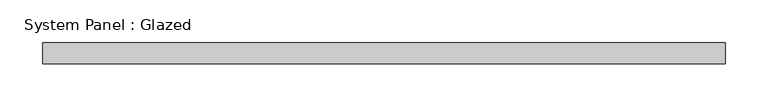
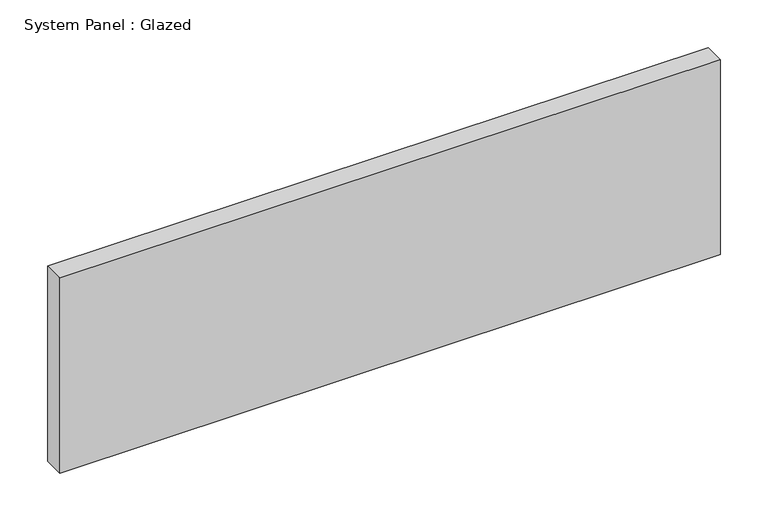
"""IFC4 building model written with IfcOpenShell, lengths in millimetres: plate geometry, System Panel : Glazed."""

from ifc_helpers import new_model, si_unit, origin, origin_with_axes, place, context, project, spatial, polyline, outline, extrude, source, transform, mapped, element, save


def system_panel_glazed_c980f4a5(model_context):
    return source(origin(), model_context, "Body", "SweptSolid", [
        extrude(outline(polyline([(400.0, 24.5), (-400.0, 24.5), (-400.0, 49.5), (400.0, 49.5), (400.0, 24.5)])), origin_with_axes(), (0.0, 0.0, 1.0), 250.0),
    ])


if __name__ == "__main__":
    model = new_model("IFC4")
    model_context = context("Model", 3, world=origin())
    ifc_project = project(units=[si_unit("LENGTHUNIT", "METRE", prefix="MILLI")], contexts=[model_context])
    site = spatial("IfcSite", under=ifc_project)
    building = spatial("IfcBuilding", under=site)
    placement = place(None, origin())
    system_panel_glazed_shape = system_panel_glazed_c980f4a5(model_context)
    element("IfcPlate", 1, ObjectType="System Panel : Glazed", at=placement, inside=building, context=model_context, shape_type="MappedRepresentation", body=[
        mapped(system_panel_glazed_shape, transform((0.0, 0.0, 0.0), x_axis=(1.0, 0.0, 0.0), y_axis=(0.0, 1.0, 0.0), z_axis=(0.0, 0.0, 1.0))),
    ])
    save(model, "model.ifc")
